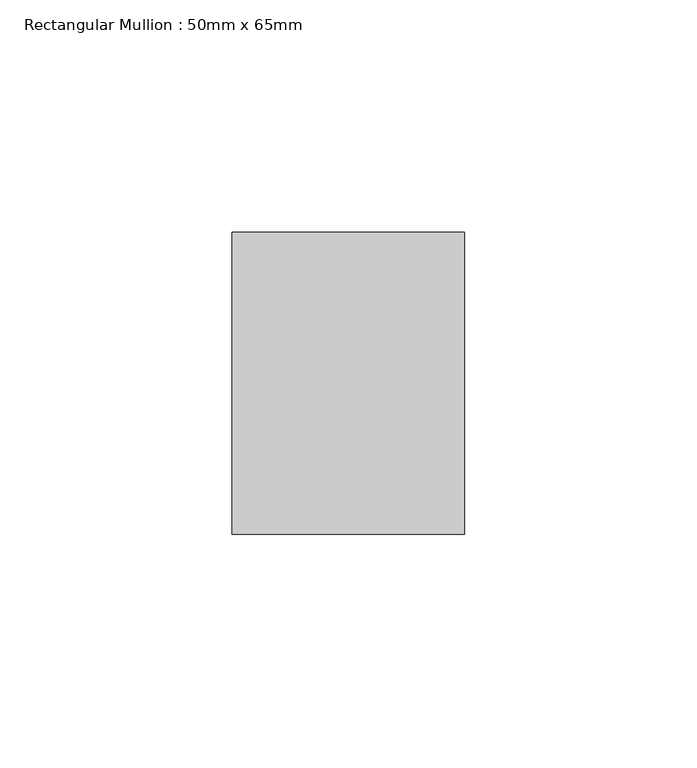
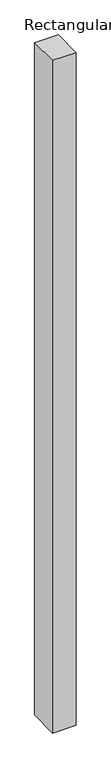
"""IFC4 building model written with IfcOpenShell, lengths in millimetres: member geometry, Rectangular Mullion : 50mm x 65mm."""

from ifc_helpers import new_model, si_unit, frame, origin, place, context, project, spatial, polyline, outline, extrude, source, transform, mapped, element, save


def rectangular_mullion_50mm_x_65mm_ba125f6a(model_context):
    return source(origin(), model_context, "Body", "SweptSolid", [
        extrude(outline(polyline([(-32.5, 0.0), (32.5, 0.0), (32.5, -1499.397603), (-32.5, -1500.6020359), (-32.5, 0.0)])), frame((-25.0, 0.0, 0.0), z_axis=(1.0, 0.0, 0.0), x_axis=(0.0, 1.0, 0.0)), (0.0, 0.0, 1.0), 50.0),
    ])


if __name__ == "__main__":
    model = new_model("IFC4")
    model_context = context("Model", 3, world=origin())
    ifc_project = project(units=[si_unit("LENGTHUNIT", "METRE", prefix="MILLI")], contexts=[model_context])
    site = spatial("IfcSite", under=ifc_project)
    building = spatial("IfcBuilding", under=site)
    placement = place(None, origin())
    rectangular_mullion_50mm_x_65mm_shape = rectangular_mullion_50mm_x_65mm_ba125f6a(model_context)
    element("IfcMember", 1, ObjectType="Rectangular Mullion : 50mm x 65mm", at=placement, inside=building, context=model_context, shape_type="MappedRepresentation", body=[
        mapped(rectangular_mullion_50mm_x_65mm_shape, transform((0.0, 0.0, 0.0), x_axis=(1.0, 0.0, 0.0), y_axis=(0.0, 1.0, 0.0), z_axis=(0.0, 0.0, 1.0))),
    ])
    save(model, "model.ifc")
